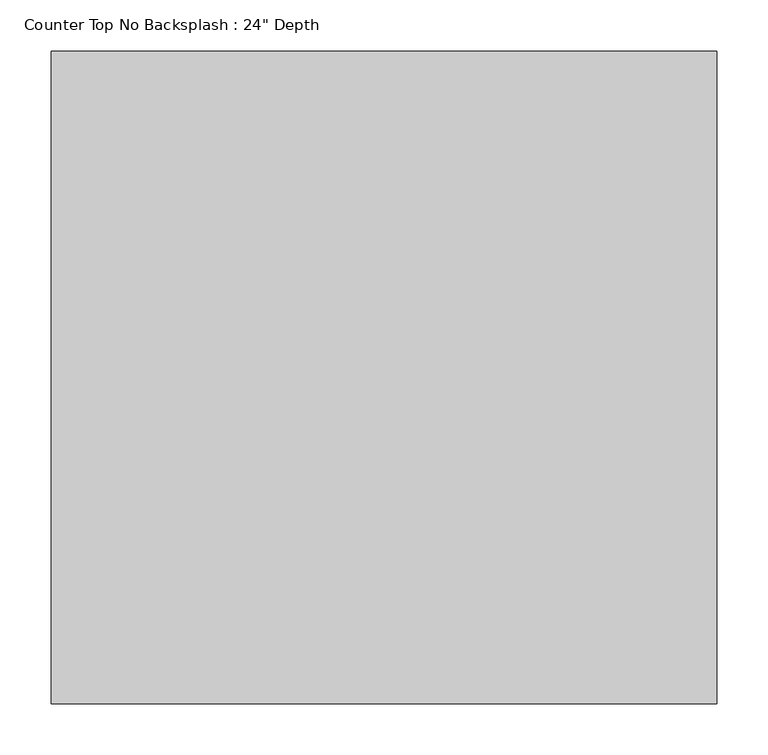
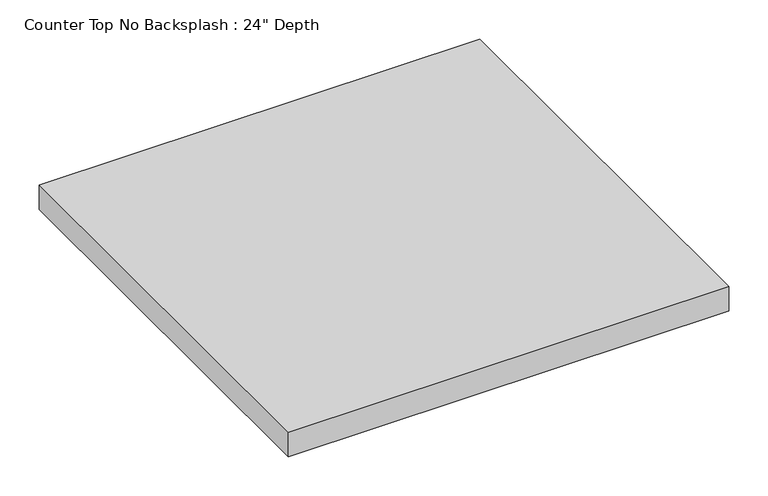
"""IFC4 building model written with IfcOpenShell, lengths in millimetres: furniture geometry."""

import ifcopenshell
import ifcopenshell.guid

model = None  # the IFC model being written
_history = None  # IfcOwnerHistory: only IFC2X3 demands one
_inside = {}  # id of a spatial element -> (the spatial element, [elements in it])
_under = {}  # id of a project, library or spatial element -> (it, [spatial elements below it])
_declared = {}  # id of a project -> (the project, [libraries it declares])
_typed = {}  # id of a type object -> (the type object, [elements of that type])
_made_of = {}  # id of a material, layer set ... -> (it, [elements and type objects made of it])


def new_model(schema):
    """Start an empty IFC model of exactly this schema.

    Asked for "IFC4X3", IfcOpenShell would pick the latest addendum, in which some entities
    have other attributes; the version numbers below select the first issue.
    IFC2X3 requires an IfcOwnerHistory on every rooted entity: one is made here for all.
    """
    global model, _history
    if schema == "IFC4X3":
        model = ifcopenshell.file(schema_version=(4, 3, 0, 0))
    else:
        model = ifcopenshell.file(schema=schema)
    _inside.clear()
    _under.clear()
    _declared.clear()
    _typed.clear()
    _made_of.clear()
    _history = None
    if model.schema == "IFC2X3":
        org = make("IfcOrganization", Name="unknown")
        user = make(
            "IfcPersonAndOrganization",
            ThePerson=make("IfcPerson", FamilyName="unknown"),
            TheOrganization=org,
        )
        app = make(
            "IfcApplication",
            ApplicationDeveloper=org,
            Version="unknown",
            ApplicationFullName="unknown",
            ApplicationIdentifier="unknown",
        )
        _history = make(
            "IfcOwnerHistory",
            OwningUser=user,
            OwningApplication=app,
            ChangeAction="ADDED",
            CreationDate=0,
        )
    return model


def make(cls, **values):
    """One entity of the class cls with the attributes given. An attribute that is None is left unset."""
    return model.create_entity(
        cls, **{name: value for name, value in values.items() if value is not None}
    )


def rooted(cls, **values):
    """An entity with a GlobalId (a new one), such as an element, a storey or a relation."""
    return make(cls, GlobalId=ifcopenshell.guid.new(), OwnerHistory=_history, **values)


def si_unit(unit_type, name, prefix=None):
    """IfcSIUnit, for example si_unit("LENGTHUNIT", "METRE", prefix="MILLI")."""
    return make("IfcSIUnit", UnitType=unit_type, Prefix=prefix, Name=name)


def assignment(units):
    """IfcUnitAssignment: the units of a project."""
    return None if units is None else make("IfcUnitAssignment", Units=units)


def point(xyz):
    """IfcCartesianPoint."""
    return None if xyz is None else make("IfcCartesianPoint", Coordinates=xyz)


def direction(xyz):
    """IfcDirection."""
    return None if xyz is None else make("IfcDirection", DirectionRatios=xyz)


def frame(location, z_axis=None, x_axis=None):
    """IfcAxis2Placement3D, a coordinate frame: its origin and axes. An axis left out is left unset."""
    return make(
        "IfcAxis2Placement3D",
        Location=point(location),
        Axis=direction(z_axis),
        RefDirection=direction(x_axis),
    )


def origin():
    """The frame at (0, 0, 0) with its axes left unset."""
    return frame((0.0, 0.0, 0.0))


def place(relative_to, where):
    """IfcLocalPlacement: puts the frame where relative to a parent placement (None: the world)."""
    return make(
        "IfcLocalPlacement", PlacementRelTo=relative_to, RelativePlacement=where
    )


def context(
    kind, dimensions, precision=None, world=None, true_north=None, identifier=None
):
    """IfcGeometricRepresentationContext, for example the 3D "Model" context."""
    return make(
        "IfcGeometricRepresentationContext",
        ContextIdentifier=identifier,
        ContextType=kind,
        CoordinateSpaceDimension=dimensions,
        Precision=precision,
        WorldCoordinateSystem=world,
        TrueNorth=true_north,
    )


def project(units=None, contexts=None):
    """IfcProject with its units and contexts."""
    return rooted(
        "IfcProject",
        Name="project",
        RepresentationContexts=contexts,
        UnitsInContext=assignment(units),
    )


def spatial(cls, under=None, at=None, **own):
    """A site, building, storey or space (cls), placed at a placement, below another one or the project."""
    s = rooted(cls, ObjectPlacement=at, **own)
    if under is not None:
        _under.setdefault(under.id(), (under, []))[1].append(s)
    return s


def polyline(points):
    """IfcPolyline through the points."""
    return make("IfcPolyline", Points=[point(p) for p in points])


def outline(outer, holes=None, kind="AREA"):
    """IfcArbitraryClosedProfileDef: a profile drawn as a closed curve; with holes, ...WithVoids."""
    if holes is None:
        return make("IfcArbitraryClosedProfileDef", ProfileType=kind, OuterCurve=outer)
    return make(
        "IfcArbitraryProfileDefWithVoids",
        ProfileType=kind,
        OuterCurve=outer,
        InnerCurves=holes,
    )


def extrude(swept, where, along, depth):
    """IfcExtrudedAreaSolid: the profile swept, set in the frame where, extruded along a direction by depth."""
    return make(
        "IfcExtrudedAreaSolid",
        SweptArea=swept,
        Position=where,
        ExtrudedDirection=direction(along),
        Depth=depth,
    )


def shape(context_of_items, identifier, shape_type, items):
    """IfcShapeRepresentation: the items that make up one representation, for example the "Body"."""
    return make(
        "IfcShapeRepresentation",
        ContextOfItems=context_of_items,
        RepresentationIdentifier=identifier,
        RepresentationType=shape_type,
        Items=items,
    )


def source(mapping_origin, context_of_items, identifier, shape_type, items):
    """IfcRepresentationMap: a shape defined once, which mapped items show again and again."""
    return make(
        "IfcRepresentationMap",
        MappingOrigin=mapping_origin,
        MappedRepresentation=shape(context_of_items, identifier, shape_type, items),
    )


def transform(
    local_origin,
    x_axis=None,
    y_axis=None,
    z_axis=None,
    scale=None,
    scale2=None,
    scale3=None,
    uniform=True,
):
    """IfcCartesianTransformationOperator3D, or its non-uniform kind. x_axis, y_axis, z_axis: its Axis1, 2, 3."""
    if uniform:
        return make(
            "IfcCartesianTransformationOperator3D",
            Axis1=direction(x_axis),
            Axis2=direction(y_axis),
            LocalOrigin=point(local_origin),
            Scale=scale,
            Axis3=direction(z_axis),
        )
    return make(
        "IfcCartesianTransformationOperator3DnonUniform",
        Axis1=direction(x_axis),
        Axis2=direction(y_axis),
        LocalOrigin=point(local_origin),
        Scale=scale,
        Axis3=direction(z_axis),
        Scale2=scale2,
        Scale3=scale3,
    )


def mapped(mapping_source, mapping_target):
    """IfcMappedItem: shows the shape of a source again, moved by a transform."""
    return make(
        "IfcMappedItem", MappingSource=mapping_source, MappingTarget=mapping_target
    )


def made_of(thing, what):
    """Note that an element or type object is made of a material, layer set ...; save() writes the relation."""
    if what is not None:
        _made_of.setdefault(what.id(), (what, []))[1].append(thing)
    return thing


def element(
    cls,
    number,
    at=None,
    inside=None,
    cuts=None,
    type_object=None,
    material=None,
    context=None,
    identifier="Body",
    shape_type=None,
    held_by="IfcProductDefinitionShape",
    body=None,
    shapes=None,
    **own,
):
    """One element of the class cls, such as IfcWall. Its Tag is "e" and its number.

    at: its placement. inside: the storey or other place that contains it. cuts: it is an
    opening in that element (IfcRelVoidsElement). A single representation is given by context,
    identifier, shape_type and body (its items); several are given by shapes. held_by: the class
    of the entity that holds the representations. save() writes the other relations.
    """
    e = rooted(cls, Tag="e%d" % number, ObjectPlacement=at, **own)
    if body is not None:
        shapes = [shape(context, identifier, shape_type, body)]
    if shapes is not None:
        e.Representation = make(held_by, Representations=shapes)
    if inside is not None:
        _inside.setdefault(inside.id(), (inside, []))[1].append(e)
    if cuts is not None:
        rooted(
            "IfcRelVoidsElement", RelatingBuildingElement=cuts, RelatedOpeningElement=e
        )
    if type_object is not None:
        _typed.setdefault(type_object.id(), (type_object, []))[1].append(e)
    return made_of(e, material)


def aggregate(whole, parts):
    """IfcRelAggregates: a whole, such as a stair, and the parts it consists of."""
    return rooted("IfcRelAggregates", RelatingObject=whole, RelatedObjects=parts)


def save(model, path):
    """Write the relations noted so far, then the file.

    IfcRelAggregates (storeys below a building ...), IfcRelContainedInSpatialStructure (elements
    in a storey), IfcRelDefinesByType, IfcRelAssociatesMaterial and IfcRelDeclares: one each for
    every whole, place, type object, material and project.
    """
    for whole, parts in _under.values():
        aggregate(whole, parts)
    for where, things in _inside.values():
        rooted(
            "IfcRelContainedInSpatialStructure",
            RelatedElements=things,
            RelatingStructure=where,
        )
    for kind, things in _typed.values():
        rooted("IfcRelDefinesByType", RelatedObjects=things, RelatingType=kind)
    for what, things in _made_of.values():
        rooted("IfcRelAssociatesMaterial", RelatedObjects=things, RelatingMaterial=what)
    for by, libraries in _declared.values():
        rooted("IfcRelDeclares", RelatingContext=by, RelatedDefinitions=libraries)
    model.write(path)


def furniture_f11e5bc7(model_context):
    return source(origin(), model_context, "Body", "SweptSolid", [
        extrude(outline(polyline([(-552.7622951, 0.0), (-552.7622951, -635.0), (-1200.4622951, -635.0), (-1200.4622951, 0.0), (-552.7622951, 0.0)])), frame((0.0, 0.0, 876.3), z_axis=(0.0, 0.0, 1.0), x_axis=(1.0, 0.0, 0.0)), (0.0, 0.0, 1.0), 38.1),
    ])


if __name__ == "__main__":
    model = new_model("IFC4")
    model_context = context("Model", 3, world=origin())
    ifc_project = project(units=[si_unit("LENGTHUNIT", "METRE", prefix="MILLI")], contexts=[model_context])
    site = spatial("IfcSite", under=ifc_project)
    building = spatial("IfcBuilding", under=site)
    placement = place(None, origin())
    furniture_shape = furniture_f11e5bc7(model_context)
    element("IfcFurniture", 1, ObjectType="Counter Top No Backsplash : 24\" Depth", at=placement, inside=building, context=model_context, shape_type="MappedRepresentation", body=[
        mapped(furniture_shape, transform((0.0, 0.0, 0.0), x_axis=(1.0, 0.0, 0.0), y_axis=(0.0, 1.0, 0.0), z_axis=(0.0, 0.0, 1.0))),
    ])
    save(model, "model.ifc")
